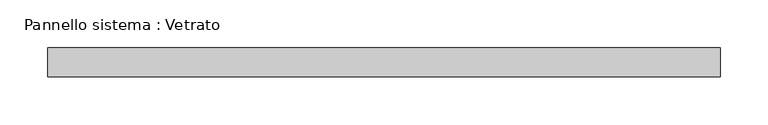
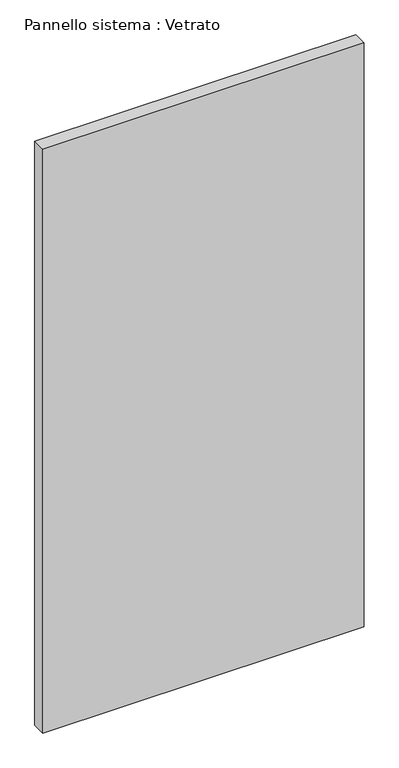
"""IFC4 building model written with IfcOpenShell, lengths in millimetres: plate geometry, Pannello sistema : Vetrato."""

from ifc_helpers import new_model, si_unit, origin, origin_with_axes, place, context, project, spatial, polyline, outline, extrude, source, transform, mapped, element, save


def pannello_sistema_vetrato_246e35c5(model_context):
    return source(origin(), model_context, "Body", "SweptSolid", [
        extrude(outline(polyline([(351.3731762, -15.0), (-351.3731762, -15.0), (-351.3731762, 15.0), (351.3731762, 15.0), (351.3731762, -15.0)])), origin_with_axes(), (0.0, 0.0, 1.0), 1350.0),
    ])


if __name__ == "__main__":
    model = new_model("IFC4")
    model_context = context("Model", 3, world=origin())
    ifc_project = project(units=[si_unit("LENGTHUNIT", "METRE", prefix="MILLI")], contexts=[model_context])
    site = spatial("IfcSite", under=ifc_project)
    building = spatial("IfcBuilding", under=site)
    placement = place(None, origin())
    pannello_sistema_vetrato_shape = pannello_sistema_vetrato_246e35c5(model_context)
    element("IfcPlate", 1, ObjectType="Pannello sistema : Vetrato", at=placement, inside=building, context=model_context, shape_type="MappedRepresentation", body=[
        mapped(pannello_sistema_vetrato_shape, transform((0.0, 0.0, 0.0), x_axis=(1.0, 0.0, 0.0), y_axis=(0.0, 1.0, 0.0), z_axis=(0.0, 0.0, 1.0))),
    ])
    save(model, "model.ifc")
